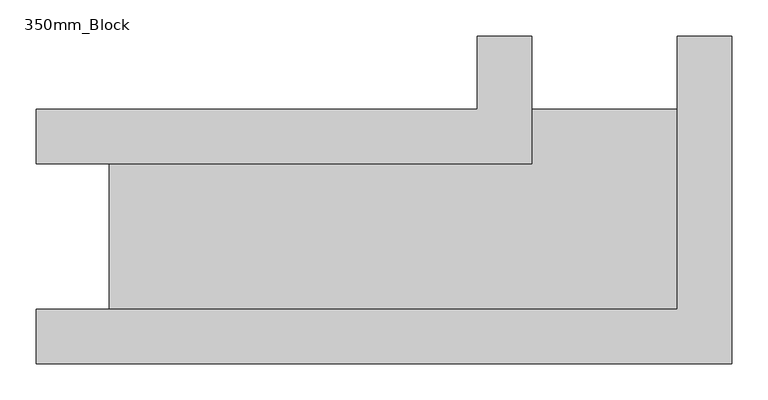
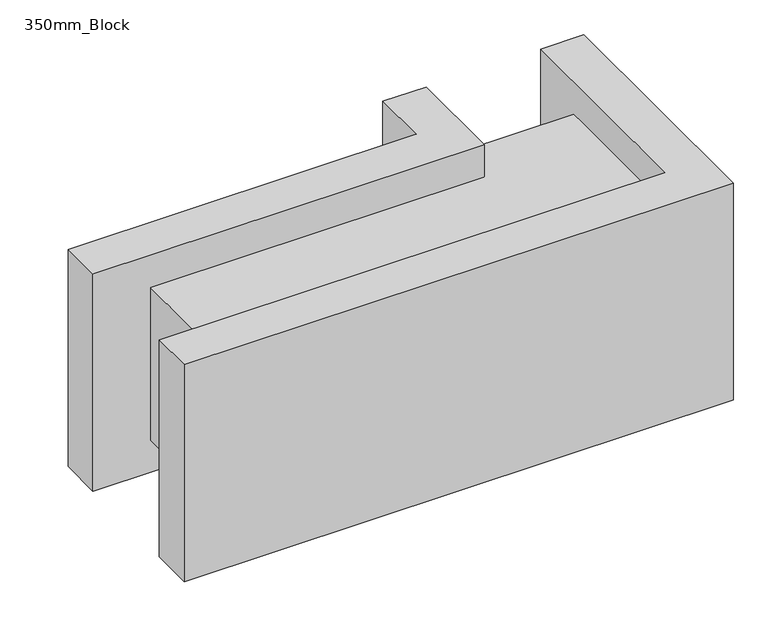
"""IFC4 building model written with IfcOpenShell, lengths in millimetres: plate geometry, 350mm_Block."""

from ifc_helpers import new_model, si_unit, frame, origin, origin_with_axes, place, context, project, spatial, polyline, outline, extrude, source, transform, mapped, element, save


def plate_350mm_block_58d06829(model_context):
    return source(origin(), model_context, "Body", "SweptSolid", [
        extrude(outline(polyline([(303.125, 175.0), (303.125, 275.0), (378.125, 275.0), (378.125, 100.0), (-303.125, 100.0), (-303.125, 175.0), (303.125, 175.0)])), origin_with_axes(), (0.0, 0.0, 1.0), 400.0),
        extrude(outline(polyline([(578.125, -100.0), (578.125, 275.0), (653.125, 275.0), (653.125, -175.0), (-303.125, -175.0), (-303.125, -100.0), (578.125, -100.0)])), origin_with_axes(), (0.0, 0.0, 1.0), 400.0),
        extrude(outline(polyline([(578.125, -100.0), (-203.125, -100.0), (-203.125, 100.0), (378.125, 100.0), (378.125, 175.0), (578.125, 175.0), (578.125, -100.0)])), frame((0.0, 0.0, 59.45), z_axis=(0.0, 0.0, 1.0), x_axis=(1.0, 0.0, 0.0)), (0.0, 0.0, 1.0), 281.1),
    ])


if __name__ == "__main__":
    model = new_model("IFC4")
    model_context = context("Model", 3, world=origin())
    ifc_project = project(units=[si_unit("LENGTHUNIT", "METRE", prefix="MILLI")], contexts=[model_context])
    site = spatial("IfcSite", under=ifc_project)
    building = spatial("IfcBuilding", under=site)
    placement = place(None, origin())
    plate_350mm_block_shape = plate_350mm_block_58d06829(model_context)
    element("IfcPlate", 1, ObjectType="350mm_Block", at=placement, inside=building, context=model_context, shape_type="MappedRepresentation", body=[
        mapped(plate_350mm_block_shape, transform((0.0, 0.0, 0.0), x_axis=(1.0, 0.0, 0.0), y_axis=(0.0, 1.0, 0.0), z_axis=(0.0, 0.0, 1.0))),
    ])
    save(model, "model.ifc")
